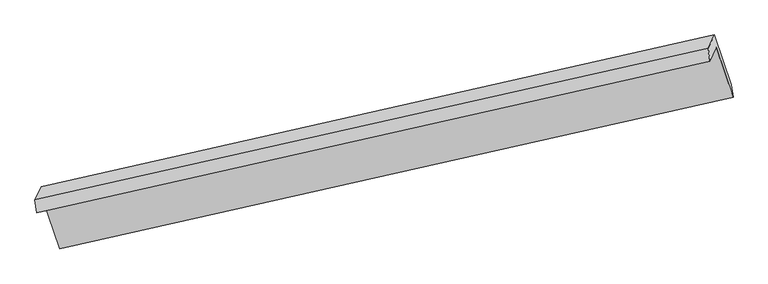
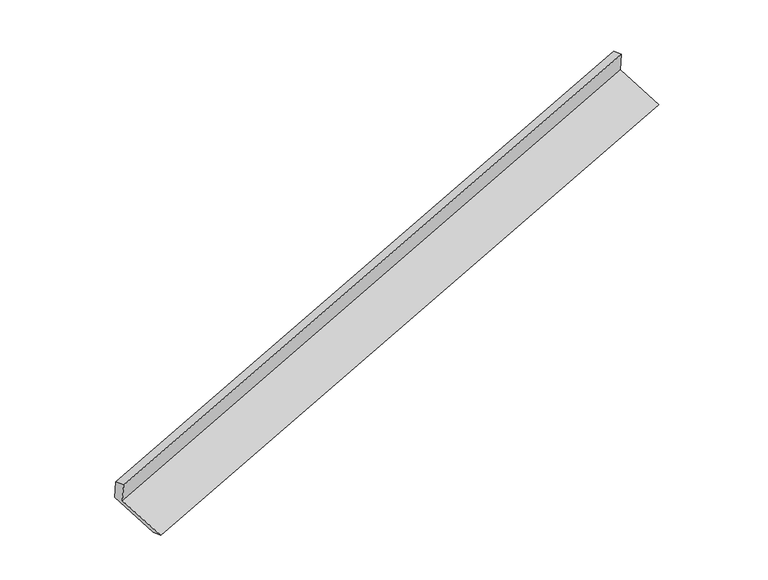
"""IFC4 building model written with IfcOpenShell, lengths in millimetres: proxy geometry."""

from ifc_helpers import new_model, si_unit, origin, place, context, project, spatial, faceted_brep, source, transform, mapped, element, save


def generic_models_bd718f71(model_context):
    return source(origin(), model_context, "Body", "Brep", [
        faceted_brep([(-7427.3428288, -2491.9026592, 915.8228614), (-7343.9184981, -2311.772927, 518.6243932), (1553.630486, -308.6693504, 3279.0327102), (1470.2061553, -488.7990826, 3676.2311784), (-7450.6843982, -2323.7000268, 871.9949583), (1446.8645859, -320.5964502, 3632.4032754), (-7368.251505, -2145.7110055, 479.5169051), (1529.2974791, -142.6074289, 3239.9252221), (-7146.5050696, -2802.0763917, 228.4286425), (1751.0439146, -798.9728151, 2988.8369595), (-7122.0602337, -2968.4693248, 267.4095042), (1775.4887504, -965.3657482, 3027.8178213)], [[[0, 1, 2, 3]], [[4, 0, 3, 5]], [[6, 4, 5, 7]], [[8, 6, 7, 9]], [[10, 8, 9, 11]], [[1, 10, 11, 2]], [[9, 7, 5, 3, 2, 11]], [[1, 0, 4, 6, 8, 10]]]),
    ])


if __name__ == "__main__":
    model = new_model("IFC4")
    model_context = context("Model", 3, world=origin())
    ifc_project = project(units=[si_unit("LENGTHUNIT", "METRE", prefix="MILLI")], contexts=[model_context])
    site = spatial("IfcSite", under=ifc_project)
    building = spatial("IfcBuilding", under=site)
    placement = place(None, origin())
    generic_models_shape = generic_models_bd718f71(model_context)
    element("IfcBuildingElementProxy", 1, Name="Generic Models", at=placement, inside=building, context=model_context, shape_type="MappedRepresentation", body=[
        mapped(generic_models_shape, transform((0.0, 0.0, 0.0), x_axis=(1.0, 0.0, 0.0), y_axis=(0.0, 1.0, 0.0), z_axis=(0.0, 0.0, 1.0))),
    ])
    save(model, "model.ifc")
